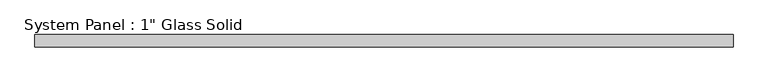
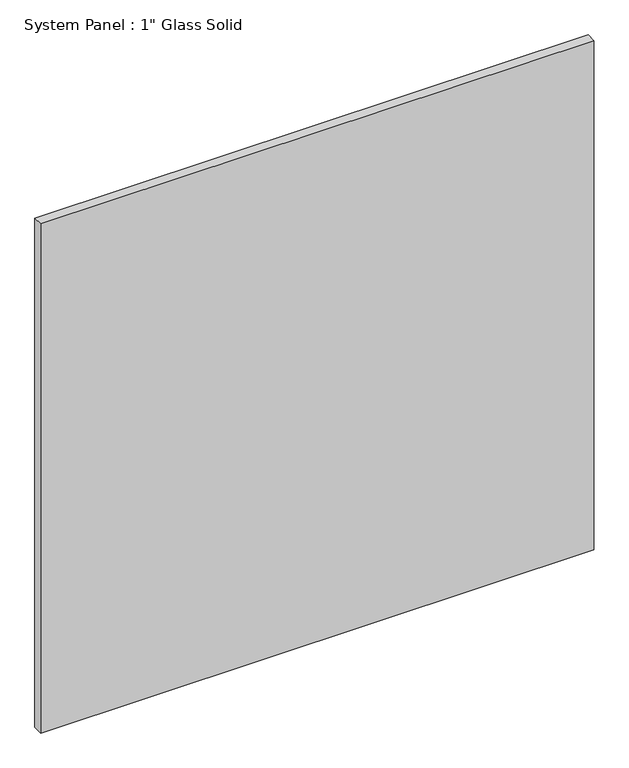
"""IFC4 building model written with IfcOpenShell, lengths in millimetres: plate geometry."""

from ifc_helpers import new_model, si_unit, origin, origin_with_axes, place, context, project, spatial, polyline, outline, extrude, source, transform, mapped, element, save


def plate_e64f63fa(model_context):
    return source(origin(), model_context, "Body", "SweptSolid", [
        extrude(outline(polyline([(706.4889199, -12.7), (-706.4889199, -12.7), (-706.4889199, 12.7), (706.4889199, 12.7), (706.4889199, -12.7)])), origin_with_axes(), (0.0, 0.0, 1.0), 1375.5241382),
    ])


if __name__ == "__main__":
    model = new_model("IFC4")
    model_context = context("Model", 3, world=origin())
    ifc_project = project(units=[si_unit("LENGTHUNIT", "METRE", prefix="MILLI")], contexts=[model_context])
    site = spatial("IfcSite", under=ifc_project)
    building = spatial("IfcBuilding", under=site)
    placement = place(None, origin())
    plate_shape = plate_e64f63fa(model_context)
    element("IfcPlate", 1, ObjectType="System Panel : 1\" Glass Solid", at=placement, inside=building, context=model_context, shape_type="MappedRepresentation", body=[
        mapped(plate_shape, transform((0.0, 0.0, 0.0), x_axis=(1.0, 0.0, 0.0), y_axis=(0.0, 1.0, 0.0), z_axis=(0.0, 0.0, 1.0))),
    ])
    save(model, "model.ifc")
